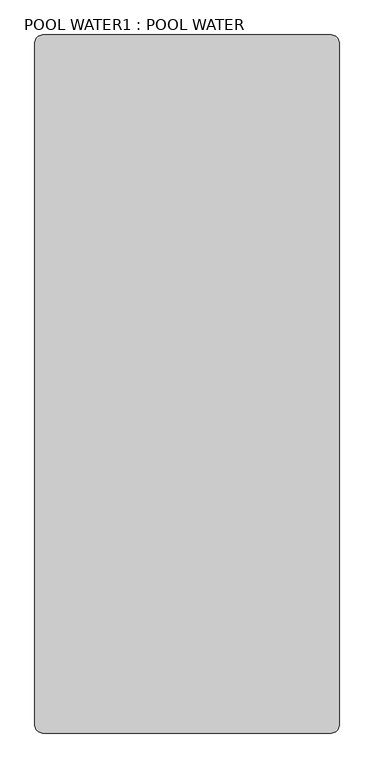
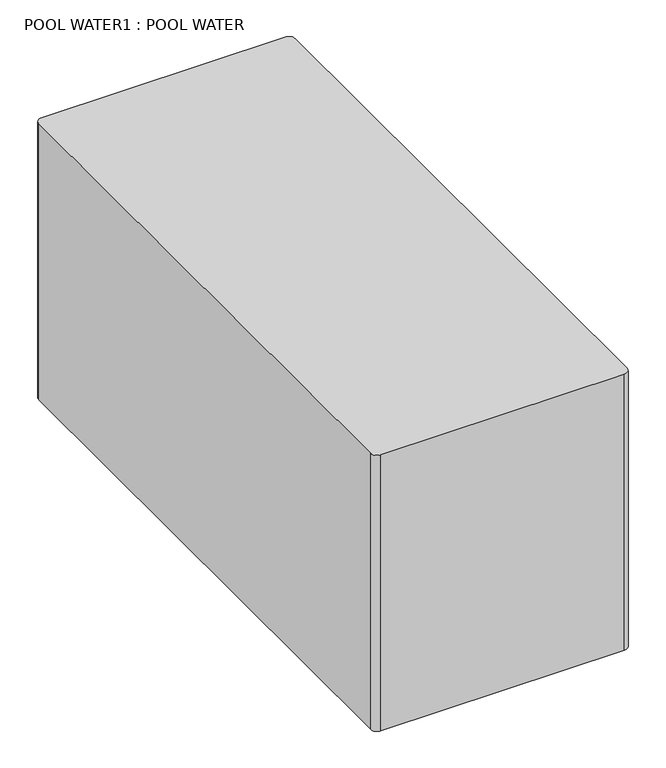
"""IFC4 building model written with IfcOpenShell, lengths in millimetres: geographic element geometry, POOL WATER1 : POOL WATER."""

from ifc_helpers import new_model, si_unit, point, frame, frame_2d, origin, place, context, project, spatial, polyline, circle_curve, trimmed, segment, composite_curve, outline, extrude, source, transform, mapped, element, save


def pool_water1_pool_water_085c0b99(model_context):
    return source(origin(), model_context, "Body", "SweptSolid", [
        extrude(outline(composite_curve([segment(trimmed(circle_curve(frame_2d((30672.0440621, 1230.1483634)), 38.1), [point((30710.1440621, 1230.1483634))], [point((30672.0440621, 1192.0483634))], False, "CARTESIAN"), True, "CONTINUOUS"), segment(polyline([(30672.0440621, 1192.0483634), (29274.6071062, 1192.0483634)]), True, "CONTINUOUS"), segment(trimmed(circle_curve(frame_2d((29274.6071062, 1230.1483634)), 38.1), [point((29274.6071062, 1192.0483634))], [point((29236.9440621, 1235.9020672))], False, "CARTESIAN"), True, "CONTINUOUS"), segment(polyline([(29236.9440621, 1235.9020672), (29236.9440621, 4531.3646516)]), True, "CONTINUOUS"), segment(trimmed(circle_curve(frame_2d((29275.0440621, 4531.3646516)), 38.1), [point((29236.9440621, 4531.3646516))], [point((29275.0440621, 4569.4646516))], False, "CARTESIAN"), True, "CONTINUOUS"), segment(polyline([(29275.0440621, 4569.4646516), (30672.0440621, 4569.4646516)]), True, "CONTINUOUS"), segment(trimmed(circle_curve(frame_2d((30672.0440621, 4531.3646516)), 38.1), [point((30672.0440621, 4569.4646516))], [point((30710.1440621, 4531.3646516))], False, "CARTESIAN"), True, "CONTINUOUS"), segment(polyline([(30710.1440621, 4531.3646516), (30710.1440621, 1230.1483634)]), True, "CONTINUOUS")], self_intersect=False)), frame((0.0, 0.0, -1828.8), z_axis=(0.0, 0.0, 1.0), x_axis=(1.0, 0.0, 0.0)), (0.0, 0.0, 1.0), 1676.4),
    ])


if __name__ == "__main__":
    model = new_model("IFC4")
    model_context = context("Model", 3, world=origin())
    ifc_project = project(units=[si_unit("LENGTHUNIT", "METRE", prefix="MILLI")], contexts=[model_context])
    site = spatial("IfcSite", under=ifc_project)
    building = spatial("IfcBuilding", under=site)
    placement = place(None, origin())
    pool_water1_pool_water_shape = pool_water1_pool_water_085c0b99(model_context)
    element("IfcGeographicElement", 1, ObjectType="POOL WATER1 : POOL WATER", at=placement, inside=building, context=model_context, shape_type="MappedRepresentation", body=[
        mapped(pool_water1_pool_water_shape, transform((0.0, 0.0, 0.0), x_axis=(1.0, 0.0, 0.0), y_axis=(0.0, 1.0, 0.0), z_axis=(0.0, 0.0, 1.0))),
    ])
    save(model, "model.ifc")
